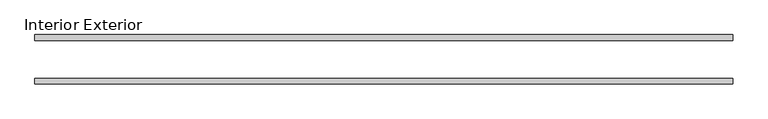
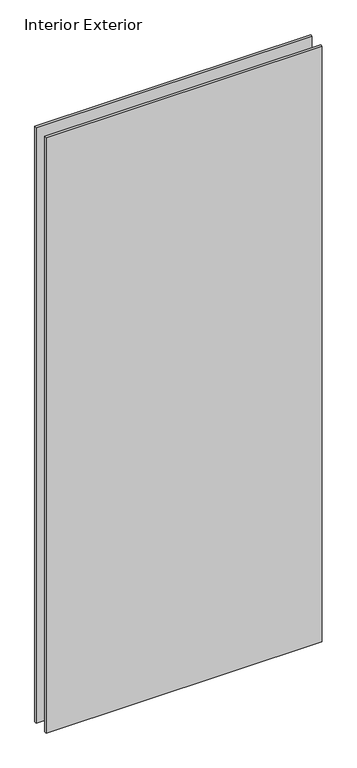
"""IFC4 building model written with IfcOpenShell, lengths in millimetres: plate geometry, Interior Exterior."""

from ifc_helpers import new_model, si_unit, frame, origin, place, context, project, spatial, polyline, outline, extrude, source, transform, mapped, element, save


def interior_exterior_1023a585(model_context):
    return source(origin(), model_context, "Body", "SweptSolid", [
        extrude(outline(polyline([(576.2625, -41.275), (-592.1375, -41.275), (-592.1375, -31.75), (576.2625, -31.75), (576.2625, -41.275)])), frame((0.0, 0.0, -25.4), z_axis=(0.0, 0.0, 1.0), x_axis=(1.0, 0.0, 0.0)), (0.0, 0.0, 1.0), 2663.825),
        extrude(outline(polyline([(576.2625, 41.275), (576.2625, 31.75), (-592.1375, 31.75), (-592.1375, 41.275), (576.2625, 41.275)])), frame((0.0, 0.0, -25.4), z_axis=(0.0, 0.0, 1.0), x_axis=(1.0, 0.0, 0.0)), (0.0, 0.0, 1.0), 2663.825),
    ])


if __name__ == "__main__":
    model = new_model("IFC4")
    model_context = context("Model", 3, world=origin())
    ifc_project = project(units=[si_unit("LENGTHUNIT", "METRE", prefix="MILLI")], contexts=[model_context])
    site = spatial("IfcSite", under=ifc_project)
    building = spatial("IfcBuilding", under=site)
    placement = place(None, origin())
    interior_exterior_shape = interior_exterior_1023a585(model_context)
    element("IfcPlate", 1, ObjectType="Interior Exterior", at=placement, inside=building, context=model_context, shape_type="MappedRepresentation", body=[
        mapped(interior_exterior_shape, transform((0.0, 0.0, 0.0), x_axis=(1.0, 0.0, 0.0), y_axis=(0.0, 1.0, 0.0), z_axis=(0.0, 0.0, 1.0))),
    ])
    save(model, "model.ifc")
